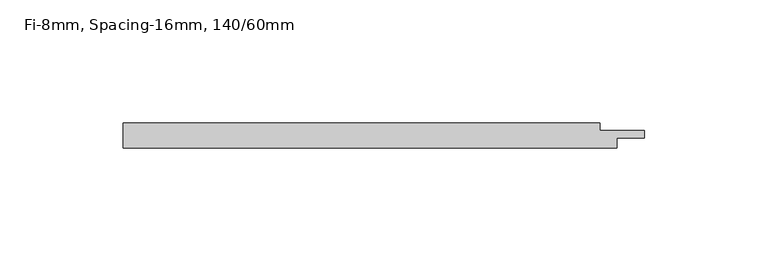
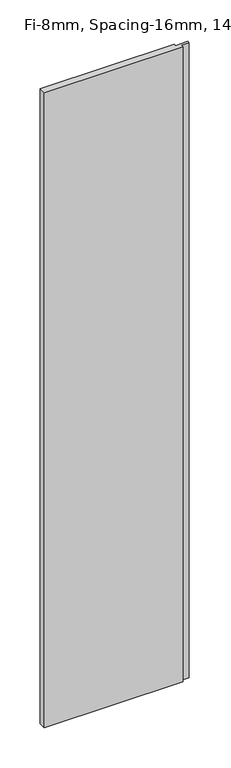
"""IFC4 building model written with IfcOpenShell, lengths in millimetres: plate geometry, Fi-8mm, Spacing-16mm, 140/60mm."""

from ifc_helpers import new_model, si_unit, origin, origin_with_axes, place, context, project, spatial, polyline, outline, extrude, source, transform, mapped, element, save


def fi_8mm_spacing_16mm_140_60mm_9b23e1b2(model_context):
    return source(origin(), model_context, "Body", "SweptSolid", [
        extrude(outline(polyline([(-100.0, -5.0), (-100.0, 5.0), (93.0, 5.0), (93.0, 2.0), (111.0, 2.0), (111.0, -1.0), (100.0, -1.0), (100.0, -5.0), (-100.0, -5.0)])), origin_with_axes(), (0.0, 0.0, 1.0), 964.5),
    ])


if __name__ == "__main__":
    model = new_model("IFC4")
    model_context = context("Model", 3, world=origin())
    ifc_project = project(units=[si_unit("LENGTHUNIT", "METRE", prefix="MILLI")], contexts=[model_context])
    site = spatial("IfcSite", under=ifc_project)
    building = spatial("IfcBuilding", under=site)
    placement = place(None, origin())
    fi_8mm_spacing_16mm_140_60mm_shape = fi_8mm_spacing_16mm_140_60mm_9b23e1b2(model_context)
    element("IfcPlate", 1, ObjectType="Fi-8mm, Spacing-16mm, 140/60mm", at=placement, inside=building, context=model_context, shape_type="MappedRepresentation", body=[
        mapped(fi_8mm_spacing_16mm_140_60mm_shape, transform((0.0, 0.0, 0.0), x_axis=(1.0, 0.0, 0.0), y_axis=(0.0, 1.0, 0.0), z_axis=(0.0, 0.0, 1.0))),
    ])
    save(model, "model.ifc")
